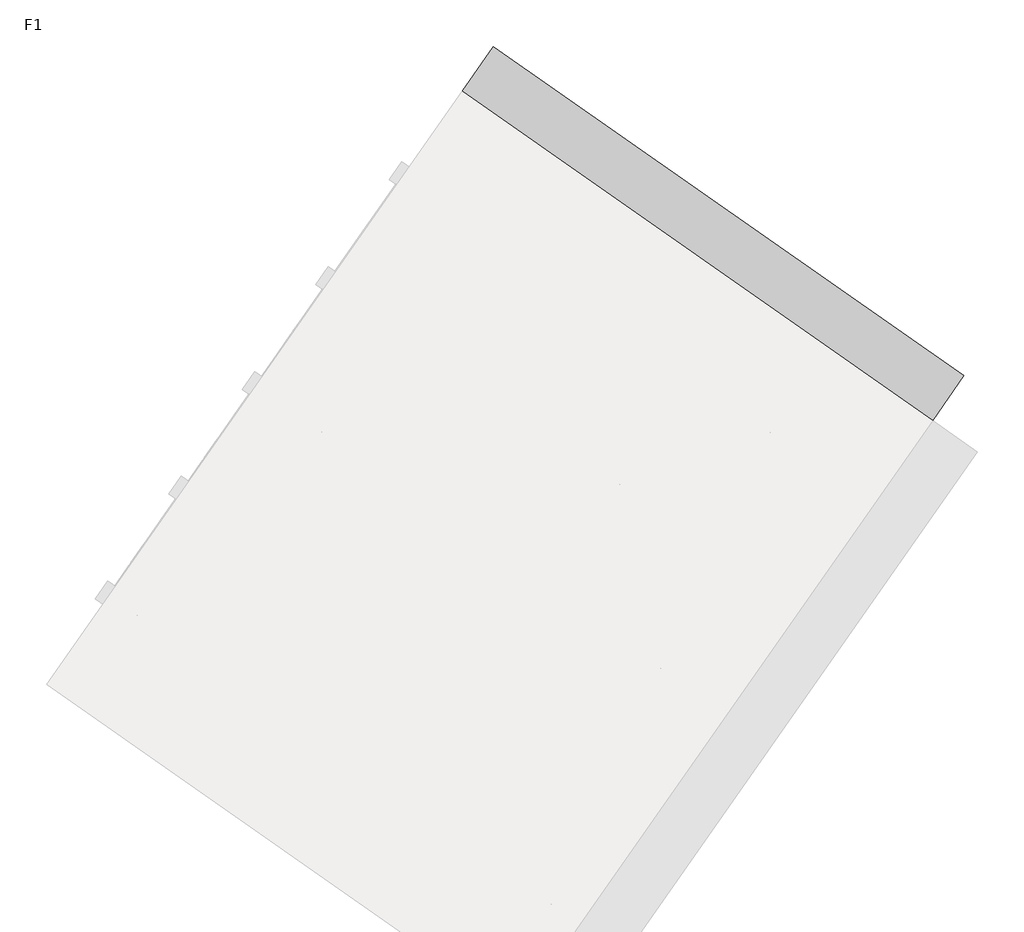
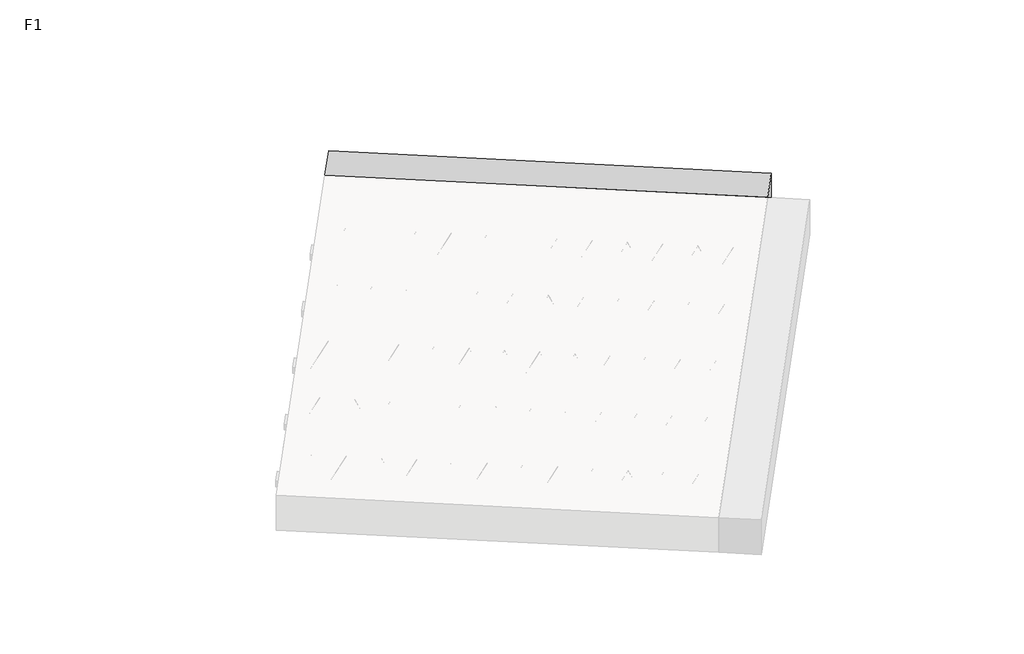
# One storey, part 28 of 30: 2 beams.
"""IFC4 building model written with IfcOpenShell, lengths in millimetres."""

from ifc_helpers import new_model, si_unit, point, frame, origin, origin_2d, place, context, project, spatial, polyline, circle_curve, trimmed, segment, composite_curve, outline, extrude, element, save

model = new_model("IFC4")

# Units and contexts
model_context = context("Model", 3, world=origin())
ifc_project = project(units=[si_unit("LENGTHUNIT", "METRE", prefix="MILLI")], contexts=[model_context])

# Site, building, storey
site = spatial("IfcSite", under=ifc_project)
building = spatial("IfcBuilding", under=site)
storey = spatial("IfcBuildingStorey", under=building, Name="F1", Elevation=99520.0)

# Beams
placement = place(None, origin())
element("IfcBeam", 1, at=placement, inside=storey, context=model_context, shape_type="SweptSolid", body=[
    extrude(outline(polyline([(12049.571242, 7054.7734205), (12118.4004143, 7153.0716658), (14772.4530378, 5294.6840119), (14703.6238654, 5196.3857666), (12049.571242, 7054.7734205)])), frame((0.0, 0.0, 99720.0), z_axis=(0.0, 0.0, 1.0), x_axis=(1.0, 0.0, 0.0)), (0.0, 0.0, 1.0), 50.0),
    extrude(outline(composite_curve([segment(trimmed(circle_curve(origin_2d(), 2.5), [point((-2.5000001, 0.0))], [point((2.5, 0.0))], False, "CARTESIAN"), True, "CONTINUOUS"), segment(trimmed(circle_curve(origin_2d(), 2.5), [point((2.5, 0.0))], [point((-2.5000001, 0.0))], False, "CARTESIAN"), True, "CONTINUOUS")], self_intersect=False)), frame((14697.7300508, 5229.8112502, 99745.0), z_axis=(-0.8191520442696126, 0.5735764363787226, 0.0), x_axis=(0.5735764363787226, 0.8191520442696126, 0.0)), (0.0, 0.0, 1.0), 3192.0),
    extrude(outline(composite_curve([segment(trimmed(circle_curve(origin_2d(), 2.5), [point((-2.5, 0.0))], [point((2.5, 0.0))], False, "CARTESIAN"), True, "CONTINUOUS"), segment(trimmed(circle_curve(origin_2d(), 2.5), [point((2.5, 0.0))], [point((-2.5, 0.0))], False, "CARTESIAN"), True, "CONTINUOUS")], self_intersect=False)), frame((14578.3038029, 5357.3822944, 99970.0), z_axis=(-0.8191520442696126, 0.5735764363787226, 0.0), x_axis=(0.5735764363787226, 0.8191520442696126, 0.0)), (0.0, 0.0, 1.0), 2850.0),
    extrude(outline(composite_curve([segment(trimmed(circle_curve(origin_2d(), 2.5), [point((-2.5, 0.0))], [point((2.5000001, 0.0))], False, "CARTESIAN"), True, "CONTINUOUS"), segment(trimmed(circle_curve(origin_2d(), 2.5), [point((2.5000001, 0.0))], [point((-2.5, 0.0))], False, "CARTESIAN"), True, "CONTINUOUS")], self_intersect=False)), frame((14619.0914545, 5284.874588, 99745.0), z_axis=(-0.3145304735701046, 0.38933448886848654, 0.8657304643902053), x_axis=(0.7778747638402499, 0.6284193279813057, 0.0)), (0.0, 0.0, 1.0), 259.8961331),
    extrude(outline(composite_curve([segment(trimmed(circle_curve(origin_2d(), 2.5), [point((2.5, 0.0))], [point((-2.5000001, 0.0))], False, "CARTESIAN"), True, "CONTINUOUS"), segment(trimmed(circle_curve(origin_2d(), 2.5), [point((-2.5000001, 0.0))], [point((2.5, 0.0))], False, "CARTESIAN"), True, "CONTINUOUS")], self_intersect=False)), frame((14414.3034435, 5428.2686971, 99745.0), z_axis=(0.47343050384693375, -0.16240172737369005, 0.8657304643902051), x_axis=(-0.3244721671091268, -0.9458952440791246, 0.0)), (0.0, 0.0, 1.0), 259.8961331),
    extrude(outline(composite_curve([segment(trimmed(circle_curve(origin_2d(), 2.5), [point((-2.5, 0.0))], [point((2.5, 1e-07))], False, "CARTESIAN"), True, "CONTINUOUS"), segment(trimmed(circle_curve(origin_2d(), 2.5), [point((2.5, 1e-07))], [point((-2.5, 0.0))], False, "CARTESIAN"), True, "CONTINUOUS")], self_intersect=False)), frame((14414.3034435, 5428.2686971, 99745.0), z_axis=(-0.3145304735701046, 0.38933448886848654, 0.8657304643902053), x_axis=(0.7778747638402499, 0.6284193279813057, 0.0)), (0.0, 0.0, 1.0), 259.8961331),
    extrude(outline(composite_curve([segment(trimmed(circle_curve(origin_2d(), 2.5), [point((2.5, 0.0))], [point((-2.5, 0.0))], False, "CARTESIAN"), True, "CONTINUOUS"), segment(trimmed(circle_curve(origin_2d(), 2.5), [point((-2.5, 0.0))], [point((2.5, 0.0))], False, "CARTESIAN"), True, "CONTINUOUS")], self_intersect=False)), frame((14209.5154324, 5571.6628062, 99745.0), z_axis=(0.47343050384693375, -0.16240172737369005, 0.8657304643902051), x_axis=(-0.3244721671091268, -0.9458952440791246, 0.0)), (0.0, 0.0, 1.0), 259.8961331),
    extrude(outline(composite_curve([segment(trimmed(circle_curve(origin_2d(), 2.5), [point((-2.5, 0.0))], [point((2.5, 1e-07))], False, "CARTESIAN"), True, "CONTINUOUS"), segment(trimmed(circle_curve(origin_2d(), 2.5), [point((2.5, 1e-07))], [point((-2.5, 0.0))], False, "CARTESIAN"), True, "CONTINUOUS")], self_intersect=False)), frame((14209.5154324, 5571.6628062, 99745.0), z_axis=(-0.3145304735701046, 0.38933448886848654, 0.8657304643902053), x_axis=(0.7778747638402499, 0.6284193279813057, 0.0)), (0.0, 0.0, 1.0), 259.8961331),
    extrude(outline(composite_curve([segment(trimmed(circle_curve(origin_2d(), 2.5), [point((2.5, 0.0))], [point((-2.5, 1e-07))], False, "CARTESIAN"), True, "CONTINUOUS"), segment(trimmed(circle_curve(origin_2d(), 2.5), [point((-2.5, 1e-07))], [point((2.5, 0.0))], False, "CARTESIAN"), True, "CONTINUOUS")], self_intersect=False)), frame((14004.7274213, 5715.0569153, 99745.0), z_axis=(0.47343050384693375, -0.16240172737369005, 0.8657304643902051), x_axis=(-0.3244721671091268, -0.9458952440791246, 0.0)), (0.0, 0.0, 1.0), 259.8961331),
    extrude(outline(composite_curve([segment(trimmed(circle_curve(origin_2d(), 2.5), [point((-2.5, 0.0))], [point((2.5000001, 0.0))], False, "CARTESIAN"), True, "CONTINUOUS"), segment(trimmed(circle_curve(origin_2d(), 2.5), [point((2.5000001, 0.0))], [point((-2.5, 0.0))], False, "CARTESIAN"), True, "CONTINUOUS")], self_intersect=False)), frame((14004.7274213, 5715.0569153, 99745.0), z_axis=(-0.3145304735701046, 0.38933448886848654, 0.8657304643902053), x_axis=(0.7778747638402499, 0.6284193279813057, 0.0)), (0.0, 0.0, 1.0), 259.8961331),
    extrude(outline(composite_curve([segment(trimmed(circle_curve(origin_2d(), 2.5), [point((2.5, 0.0))], [point((-2.5, 0.0))], False, "CARTESIAN"), True, "CONTINUOUS"), segment(trimmed(circle_curve(origin_2d(), 2.5), [point((-2.5, 0.0))], [point((2.5, 0.0))], False, "CARTESIAN"), True, "CONTINUOUS")], self_intersect=False)), frame((13799.9394103, 5858.4510244, 99745.0), z_axis=(0.47343050384693375, -0.16240172737369005, 0.8657304643902051), x_axis=(-0.3244721671091268, -0.9458952440791246, 0.0)), (0.0, 0.0, 1.0), 259.8961331),
    extrude(outline(composite_curve([segment(trimmed(circle_curve(origin_2d(), 2.5), [point((-2.5, 0.0))], [point((2.5, 0.0))], False, "CARTESIAN"), True, "CONTINUOUS"), segment(trimmed(circle_curve(origin_2d(), 2.5), [point((2.5, 0.0))], [point((-2.5, 0.0))], False, "CARTESIAN"), True, "CONTINUOUS")], self_intersect=False)), frame((13799.9394103, 5858.4510244, 99745.0), z_axis=(-0.3145304735701046, 0.38933448886848654, 0.8657304643902053), x_axis=(0.7778747638402499, 0.6284193279813057, 0.0)), (0.0, 0.0, 1.0), 259.8961331),
    extrude(outline(composite_curve([segment(trimmed(circle_curve(origin_2d(), 2.5), [point((2.5, 0.0))], [point((-2.5, 0.0))], False, "CARTESIAN"), True, "CONTINUOUS"), segment(trimmed(circle_curve(origin_2d(), 2.5), [point((-2.5, 0.0))], [point((2.5, 0.0))], False, "CARTESIAN"), True, "CONTINUOUS")], self_intersect=False)), frame((13595.1513992, 6001.8451335, 99745.0), z_axis=(0.47343050384693375, -0.16240172737369005, 0.8657304643902051), x_axis=(-0.3244721671091268, -0.9458952440791246, 0.0)), (0.0, 0.0, 1.0), 259.8961331),
    extrude(outline(composite_curve([segment(trimmed(circle_curve(origin_2d(), 2.5), [point((-2.5, 0.0))], [point((2.5, 0.0))], False, "CARTESIAN"), True, "CONTINUOUS"), segment(trimmed(circle_curve(origin_2d(), 2.5), [point((2.5, 0.0))], [point((-2.5, 0.0))], False, "CARTESIAN"), True, "CONTINUOUS")], self_intersect=False)), frame((13595.1513992, 6001.8451335, 99745.0), z_axis=(-0.3145304735701046, 0.38933448886848654, 0.8657304643902053), x_axis=(0.7778747638402499, 0.6284193279813057, 0.0)), (0.0, 0.0, 1.0), 259.8961331),
    extrude(outline(composite_curve([segment(trimmed(circle_curve(origin_2d(), 2.5), [point((2.5, 0.0))], [point((-2.5, 1e-07))], False, "CARTESIAN"), True, "CONTINUOUS"), segment(trimmed(circle_curve(origin_2d(), 2.5), [point((-2.5, 1e-07))], [point((2.5, 0.0))], False, "CARTESIAN"), True, "CONTINUOUS")], self_intersect=False)), frame((13390.3633881, 6145.2392426, 99745.0), z_axis=(0.47343050384693375, -0.16240172737369005, 0.8657304643902051), x_axis=(-0.3244721671091268, -0.9458952440791246, 0.0)), (0.0, 0.0, 1.0), 259.8961331),
    extrude(outline(composite_curve([segment(trimmed(circle_curve(origin_2d(), 2.5), [point((-2.5, 0.0))], [point((2.5000001, -1e-07))], False, "CARTESIAN"), True, "CONTINUOUS"), segment(trimmed(circle_curve(origin_2d(), 2.5), [point((2.5000001, -1e-07))], [point((-2.5, 0.0))], False, "CARTESIAN"), True, "CONTINUOUS")], self_intersect=False)), frame((13390.3633881, 6145.2392426, 99745.0), z_axis=(-0.3145304735701046, 0.38933448886848654, 0.8657304643902053), x_axis=(0.7778747638402499, 0.6284193279813057, 0.0)), (0.0, 0.0, 1.0), 259.8961331),
    extrude(outline(composite_curve([segment(trimmed(circle_curve(origin_2d(), 2.5), [point((2.5, 0.0))], [point((-2.5, 0.0))], False, "CARTESIAN"), True, "CONTINUOUS"), segment(trimmed(circle_curve(origin_2d(), 2.5), [point((-2.5, 0.0))], [point((2.5, 0.0))], False, "CARTESIAN"), True, "CONTINUOUS")], self_intersect=False)), frame((13185.5753771, 6288.6333517, 99745.0), z_axis=(0.47343050384693375, -0.16240172737369005, 0.8657304643902051), x_axis=(-0.3244721671091268, -0.9458952440791246, 0.0)), (0.0, 0.0, 1.0), 259.8961331),
    extrude(outline(composite_curve([segment(trimmed(circle_curve(origin_2d(), 2.5), [point((-2.5, 0.0))], [point((2.5, 0.0))], False, "CARTESIAN"), True, "CONTINUOUS"), segment(trimmed(circle_curve(origin_2d(), 2.5), [point((2.5, 0.0))], [point((-2.5, 0.0))], False, "CARTESIAN"), True, "CONTINUOUS")], self_intersect=False)), frame((13185.5753771, 6288.6333517, 99745.0), z_axis=(-0.3145304735701046, 0.38933448886848654, 0.8657304643902053), x_axis=(0.7778747638402499, 0.6284193279813057, 0.0)), (0.0, 0.0, 1.0), 259.8961331),
    extrude(outline(composite_curve([segment(trimmed(circle_curve(origin_2d(), 2.5), [point((2.5, 0.0))], [point((-2.5, 0.0))], False, "CARTESIAN"), True, "CONTINUOUS"), segment(trimmed(circle_curve(origin_2d(), 2.5), [point((-2.5, 0.0))], [point((2.5, 0.0))], False, "CARTESIAN"), True, "CONTINUOUS")], self_intersect=False)), frame((12980.787366, 6432.0274608, 99745.0), z_axis=(0.47343050384693375, -0.16240172737369005, 0.8657304643902051), x_axis=(-0.3244721671091268, -0.9458952440791246, 0.0)), (0.0, 0.0, 1.0), 259.8961331),
    extrude(outline(composite_curve([segment(trimmed(circle_curve(origin_2d(), 2.5), [point((-2.5, 0.0))], [point((2.5, 0.0))], False, "CARTESIAN"), True, "CONTINUOUS"), segment(trimmed(circle_curve(origin_2d(), 2.5), [point((2.5, 0.0))], [point((-2.5, 0.0))], False, "CARTESIAN"), True, "CONTINUOUS")], self_intersect=False)), frame((12980.787366, 6432.0274608, 99745.0), z_axis=(-0.3145304735701046, 0.38933448886848654, 0.8657304643902053), x_axis=(0.7778747638402499, 0.6284193279813057, 0.0)), (0.0, 0.0, 1.0), 259.8961331),
    extrude(outline(composite_curve([segment(trimmed(circle_curve(origin_2d(), 2.5), [point((2.5, 0.0))], [point((-2.5, 1e-07))], False, "CARTESIAN"), True, "CONTINUOUS"), segment(trimmed(circle_curve(origin_2d(), 2.5), [point((-2.5, 1e-07))], [point((2.5, 0.0))], False, "CARTESIAN"), True, "CONTINUOUS")], self_intersect=False)), frame((12775.9993549, 6575.4215699, 99745.0), z_axis=(0.47343050384693375, -0.16240172737369005, 0.8657304643902051), x_axis=(-0.3244721671091268, -0.9458952440791246, 0.0)), (0.0, 0.0, 1.0), 259.8961331),
    extrude(outline(composite_curve([segment(trimmed(circle_curve(origin_2d(), 2.5), [point((-2.5, 0.0))], [point((2.5000001, -1e-07))], False, "CARTESIAN"), True, "CONTINUOUS"), segment(trimmed(circle_curve(origin_2d(), 2.5), [point((2.5000001, -1e-07))], [point((-2.5, 0.0))], False, "CARTESIAN"), True, "CONTINUOUS")], self_intersect=False)), frame((12775.9993549, 6575.4215699, 99745.0), z_axis=(-0.3145304735701046, 0.38933448886848654, 0.8657304643902053), x_axis=(0.7778747638402499, 0.6284193279813057, 0.0)), (0.0, 0.0, 1.0), 259.8961331),
    extrude(outline(composite_curve([segment(trimmed(circle_curve(origin_2d(), 2.5), [point((2.5, 0.0))], [point((-2.5, 0.0))], False, "CARTESIAN"), True, "CONTINUOUS"), segment(trimmed(circle_curve(origin_2d(), 2.5), [point((-2.5, 0.0))], [point((2.5, 0.0))], False, "CARTESIAN"), True, "CONTINUOUS")], self_intersect=False)), frame((12571.2113439, 6718.815679, 99745.0), z_axis=(0.47343050384693375, -0.16240172737369005, 0.8657304643902051), x_axis=(-0.3244721671091268, -0.9458952440791246, 0.0)), (0.0, 0.0, 1.0), 259.8961331),
    extrude(outline(composite_curve([segment(trimmed(circle_curve(origin_2d(), 2.5), [point((-2.5, 0.0))], [point((2.5, 0.0))], False, "CARTESIAN"), True, "CONTINUOUS"), segment(trimmed(circle_curve(origin_2d(), 2.5), [point((2.5, 0.0))], [point((-2.5, 0.0))], False, "CARTESIAN"), True, "CONTINUOUS")], self_intersect=False)), frame((12571.2113439, 6718.815679, 99745.0), z_axis=(-0.3145304735701046, 0.38933448886848654, 0.8657304643902053), x_axis=(0.7778747638402499, 0.6284193279813057, 0.0)), (0.0, 0.0, 1.0), 259.8961331),
    extrude(outline(composite_curve([segment(trimmed(circle_curve(origin_2d(), 2.5), [point((2.5, 0.0))], [point((-2.5, 0.0))], False, "CARTESIAN"), True, "CONTINUOUS"), segment(trimmed(circle_curve(origin_2d(), 2.5), [point((-2.5, 0.0))], [point((2.5, 0.0))], False, "CARTESIAN"), True, "CONTINUOUS")], self_intersect=False)), frame((12366.4233328, 6862.2097881, 99745.0), z_axis=(0.47343050384693375, -0.16240172737369005, 0.8657304643902051), x_axis=(-0.3244721671091268, -0.9458952440791246, 0.0)), (0.0, 0.0, 1.0), 259.8961331),
    extrude(outline(composite_curve([segment(trimmed(circle_curve(origin_2d(), 2.5), [point((-2.5, 0.0))], [point((2.5, 0.0))], False, "CARTESIAN"), True, "CONTINUOUS"), segment(trimmed(circle_curve(origin_2d(), 2.5), [point((2.5, 0.0))], [point((-2.5, 0.0))], False, "CARTESIAN"), True, "CONTINUOUS")], self_intersect=False)), frame((12366.4233328, 6862.2097881, 99745.0), z_axis=(-0.3145304735701046, 0.38933448886848654, 0.8657304643902053), x_axis=(0.7778747638402499, 0.6284193279813057, 0.0)), (0.0, 0.0, 1.0), 259.8961331),
    extrude(outline(composite_curve([segment(trimmed(circle_curve(origin_2d(), 2.5), [point((2.5, 0.0))], [point((-2.5, 1e-07))], False, "CARTESIAN"), True, "CONTINUOUS"), segment(trimmed(circle_curve(origin_2d(), 2.5), [point((-2.5, 1e-07))], [point((2.5, 0.0))], False, "CARTESIAN"), True, "CONTINUOUS")], self_intersect=False)), frame((12161.6353217, 7005.6038972, 99745.0), z_axis=(0.47343050384693375, -0.16240172737369005, 0.8657304643902051), x_axis=(-0.3244721671091268, -0.9458952440791246, 0.0)), (0.0, 0.0, 1.0), 259.8961331),
    extrude(outline(composite_curve([segment(trimmed(circle_curve(origin_2d(), 2.5), [point((-2.5, 0.0))], [point((2.5000001, 0.0))], False, "CARTESIAN"), True, "CONTINUOUS"), segment(trimmed(circle_curve(origin_2d(), 2.5), [point((2.5000001, 0.0))], [point((-2.5, 0.0))], False, "CARTESIAN"), True, "CONTINUOUS")], self_intersect=False)), frame((14739.0275542, 5288.7901973, 99745.0), z_axis=(-0.8191520442696126, 0.5735764363787226, 0.0), x_axis=(0.5735764363787226, 0.8191520442696126, 0.0)), (0.0, 0.0, 1.0), 3192.0),
    extrude(outline(composite_curve([segment(trimmed(circle_curve(origin_2d(), 2.5), [point((-2.5, 1e-07))], [point((2.5, 0.0))], False, "CARTESIAN"), True, "CONTINUOUS"), segment(trimmed(circle_curve(origin_2d(), 2.5), [point((2.5, 0.0))], [point((-2.5, 1e-07))], False, "CARTESIAN"), True, "CONTINUOUS")], self_intersect=False)), frame((14660.388958, 5343.8535352, 99745.0), z_axis=(-0.47343050384693375, 0.16240172737369005, 0.8657304643902051), x_axis=(0.3244721671091268, 0.9458952440791246, 0.0)), (0.0, 0.0, 1.0), 259.8961331),
    extrude(outline(composite_curve([segment(trimmed(circle_curve(origin_2d(), 2.5), [point((2.5, 0.0))], [point((-2.5, 0.0))], False, "CARTESIAN"), True, "CONTINUOUS"), segment(trimmed(circle_curve(origin_2d(), 2.5), [point((-2.5, 0.0))], [point((2.5, 0.0))], False, "CARTESIAN"), True, "CONTINUOUS")], self_intersect=False)), frame((14455.6009469, 5487.2476443, 99745.0), z_axis=(0.3145304735701046, -0.38933448886848654, 0.8657304643902053), x_axis=(-0.7778747638402499, -0.6284193279813057, 0.0)), (0.0, 0.0, 1.0), 259.8961331),
    extrude(outline(composite_curve([segment(trimmed(circle_curve(origin_2d(), 2.5), [point((-2.5, 0.0))], [point((2.5, 0.0))], False, "CARTESIAN"), True, "CONTINUOUS"), segment(trimmed(circle_curve(origin_2d(), 2.5), [point((2.5, 0.0))], [point((-2.5, 0.0))], False, "CARTESIAN"), True, "CONTINUOUS")], self_intersect=False)), frame((14455.6009469, 5487.2476443, 99745.0), z_axis=(-0.47343050384693375, 0.16240172737369005, 0.8657304643902051), x_axis=(0.3244721671091268, 0.9458952440791246, 0.0)), (0.0, 0.0, 1.0), 259.8961331),
    extrude(outline(composite_curve([segment(trimmed(circle_curve(origin_2d(), 2.5), [point((2.5, 0.0))], [point((-2.5, 0.0))], False, "CARTESIAN"), True, "CONTINUOUS"), segment(trimmed(circle_curve(origin_2d(), 2.5), [point((-2.5, 0.0))], [point((2.5, 0.0))], False, "CARTESIAN"), True, "CONTINUOUS")], self_intersect=False)), frame((14250.8129358, 5630.6417534, 99745.0), z_axis=(0.3145304735701046, -0.38933448886848654, 0.8657304643902053), x_axis=(-0.7778747638402499, -0.6284193279813057, 0.0)), (0.0, 0.0, 1.0), 259.8961331),
    extrude(outline(composite_curve([segment(trimmed(circle_curve(origin_2d(), 2.5), [point((-2.5, 0.0))], [point((2.5, -1e-07))], False, "CARTESIAN"), True, "CONTINUOUS"), segment(trimmed(circle_curve(origin_2d(), 2.5), [point((2.5, -1e-07))], [point((-2.5, 0.0))], False, "CARTESIAN"), True, "CONTINUOUS")], self_intersect=False)), frame((14250.8129358, 5630.6417534, 99745.0), z_axis=(-0.47343050384693375, 0.16240172737369005, 0.8657304643902051), x_axis=(0.3244721671091268, 0.9458952440791246, 0.0)), (0.0, 0.0, 1.0), 259.8961331),
    extrude(outline(composite_curve([segment(trimmed(circle_curve(origin_2d(), 2.5), [point((2.5, 0.0))], [point((-2.5, 0.0))], False, "CARTESIAN"), True, "CONTINUOUS"), segment(trimmed(circle_curve(origin_2d(), 2.5), [point((-2.5, 0.0))], [point((2.5, 0.0))], False, "CARTESIAN"), True, "CONTINUOUS")], self_intersect=False)), frame((14046.0249248, 5774.0358625, 99745.0), z_axis=(0.3145304735701046, -0.38933448886848654, 0.8657304643902053), x_axis=(-0.7778747638402499, -0.6284193279813057, 0.0)), (0.0, 0.0, 1.0), 259.8961331),
    extrude(outline(composite_curve([segment(trimmed(circle_curve(origin_2d(), 2.5), [point((-2.5, 1e-07))], [point((2.5, 0.0))], False, "CARTESIAN"), True, "CONTINUOUS"), segment(trimmed(circle_curve(origin_2d(), 2.5), [point((2.5, 0.0))], [point((-2.5, 1e-07))], False, "CARTESIAN"), True, "CONTINUOUS")], self_intersect=False)), frame((14046.0249248, 5774.0358625, 99745.0), z_axis=(-0.47343050384693375, 0.16240172737369005, 0.8657304643902051), x_axis=(0.3244721671091268, 0.9458952440791246, 0.0)), (0.0, 0.0, 1.0), 259.8961331),
    extrude(outline(composite_curve([segment(trimmed(circle_curve(origin_2d(), 2.5), [point((2.5, 0.0))], [point((-2.5, 0.0))], False, "CARTESIAN"), True, "CONTINUOUS"), segment(trimmed(circle_curve(origin_2d(), 2.5), [point((-2.5, 0.0))], [point((2.5, 0.0))], False, "CARTESIAN"), True, "CONTINUOUS")], self_intersect=False)), frame((13841.2369137, 5917.4299716, 99745.0), z_axis=(0.3145304735701046, -0.38933448886848654, 0.8657304643902053), x_axis=(-0.7778747638402499, -0.6284193279813057, 0.0)), (0.0, 0.0, 1.0), 259.8961331),
    extrude(outline(composite_curve([segment(trimmed(circle_curve(origin_2d(), 2.5), [point((-2.5, 0.0))], [point((2.5, 0.0))], False, "CARTESIAN"), True, "CONTINUOUS"), segment(trimmed(circle_curve(origin_2d(), 2.5), [point((2.5, 0.0))], [point((-2.5, 0.0))], False, "CARTESIAN"), True, "CONTINUOUS")], self_intersect=False)), frame((13841.2369137, 5917.4299716, 99745.0), z_axis=(-0.47343050384693375, 0.16240172737369005, 0.8657304643902051), x_axis=(0.3244721671091268, 0.9458952440791246, 0.0)), (0.0, 0.0, 1.0), 259.8961331),
    extrude(outline(composite_curve([segment(trimmed(circle_curve(origin_2d(), 2.5), [point((2.5, 0.0))], [point((-2.5, 0.0))], False, "CARTESIAN"), True, "CONTINUOUS"), segment(trimmed(circle_curve(origin_2d(), 2.5), [point((-2.5, 0.0))], [point((2.5, 0.0))], False, "CARTESIAN"), True, "CONTINUOUS")], self_intersect=False)), frame((13636.4489026, 6060.8240807, 99745.0), z_axis=(0.3145304735701046, -0.38933448886848654, 0.8657304643902053), x_axis=(-0.7778747638402499, -0.6284193279813057, 0.0)), (0.0, 0.0, 1.0), 259.8961331),
    extrude(outline(composite_curve([segment(trimmed(circle_curve(origin_2d(), 2.5), [point((-2.5, 0.0))], [point((2.5, 0.0))], False, "CARTESIAN"), True, "CONTINUOUS"), segment(trimmed(circle_curve(origin_2d(), 2.5), [point((2.5, 0.0))], [point((-2.5, 0.0))], False, "CARTESIAN"), True, "CONTINUOUS")], self_intersect=False)), frame((13636.4489026, 6060.8240807, 99745.0), z_axis=(-0.47343050384693375, 0.16240172737369005, 0.8657304643902051), x_axis=(0.3244721671091268, 0.9458952440791246, 0.0)), (0.0, 0.0, 1.0), 259.8961331),
    extrude(outline(composite_curve([segment(trimmed(circle_curve(origin_2d(), 2.5), [point((2.5, 0.0))], [point((-2.5, 0.0))], False, "CARTESIAN"), True, "CONTINUOUS"), segment(trimmed(circle_curve(origin_2d(), 2.5), [point((-2.5, 0.0))], [point((2.5, 0.0))], False, "CARTESIAN"), True, "CONTINUOUS")], self_intersect=False)), frame((13431.6608916, 6204.2181898, 99745.0), z_axis=(0.3145304735701046, -0.38933448886848654, 0.8657304643902053), x_axis=(-0.7778747638402499, -0.6284193279813057, 0.0)), (0.0, 0.0, 1.0), 259.8961331),
    extrude(outline(composite_curve([segment(trimmed(circle_curve(origin_2d(), 2.5), [point((-2.5, 1e-07))], [point((2.5, 0.0))], False, "CARTESIAN"), True, "CONTINUOUS"), segment(trimmed(circle_curve(origin_2d(), 2.5), [point((2.5, 0.0))], [point((-2.5, 1e-07))], False, "CARTESIAN"), True, "CONTINUOUS")], self_intersect=False)), frame((13431.6608916, 6204.2181898, 99745.0), z_axis=(-0.47343050384693375, 0.16240172737369005, 0.8657304643902051), x_axis=(0.3244721671091268, 0.9458952440791246, 0.0)), (0.0, 0.0, 1.0), 259.8961331),
    extrude(outline(composite_curve([segment(trimmed(circle_curve(origin_2d(), 2.5), [point((2.5, 0.0))], [point((-2.5, 0.0))], False, "CARTESIAN"), True, "CONTINUOUS"), segment(trimmed(circle_curve(origin_2d(), 2.5), [point((-2.5, 0.0))], [point((2.5, 0.0))], False, "CARTESIAN"), True, "CONTINUOUS")], self_intersect=False)), frame((13226.8728805, 6347.6122989, 99745.0), z_axis=(0.3145304735701046, -0.38933448886848654, 0.8657304643902053), x_axis=(-0.7778747638402499, -0.6284193279813057, 0.0)), (0.0, 0.0, 1.0), 259.8961331),
    extrude(outline(composite_curve([segment(trimmed(circle_curve(origin_2d(), 2.5), [point((-2.5, 0.0))], [point((2.5, 0.0))], False, "CARTESIAN"), True, "CONTINUOUS"), segment(trimmed(circle_curve(origin_2d(), 2.5), [point((2.5, 0.0))], [point((-2.5, 0.0))], False, "CARTESIAN"), True, "CONTINUOUS")], self_intersect=False)), frame((13226.8728805, 6347.6122989, 99745.0), z_axis=(-0.47343050384693375, 0.16240172737369005, 0.8657304643902051), x_axis=(0.3244721671091268, 0.9458952440791246, 0.0)), (0.0, 0.0, 1.0), 259.8961331),
    extrude(outline(composite_curve([segment(trimmed(circle_curve(origin_2d(), 2.5), [point((2.5, 0.0))], [point((-2.5, 0.0))], False, "CARTESIAN"), True, "CONTINUOUS"), segment(trimmed(circle_curve(origin_2d(), 2.5), [point((-2.5, 0.0))], [point((2.5, 0.0))], False, "CARTESIAN"), True, "CONTINUOUS")], self_intersect=False)), frame((13022.0848694, 6491.006408, 99745.0), z_axis=(0.3145304735701046, -0.38933448886848654, 0.8657304643902053), x_axis=(-0.7778747638402499, -0.6284193279813057, 0.0)), (0.0, 0.0, 1.0), 259.8961331),
    extrude(outline(composite_curve([segment(trimmed(circle_curve(origin_2d(), 2.5), [point((-2.5, 0.0))], [point((2.5, 0.0))], False, "CARTESIAN"), True, "CONTINUOUS"), segment(trimmed(circle_curve(origin_2d(), 2.5), [point((2.5, 0.0))], [point((-2.5, 0.0))], False, "CARTESIAN"), True, "CONTINUOUS")], self_intersect=False)), frame((13022.0848694, 6491.006408, 99745.0), z_axis=(-0.47343050384693375, 0.16240172737369005, 0.8657304643902051), x_axis=(0.3244721671091268, 0.9458952440791246, 0.0)), (0.0, 0.0, 1.0), 259.8961331),
    extrude(outline(composite_curve([segment(trimmed(circle_curve(origin_2d(), 2.5), [point((2.5, 0.0))], [point((-2.5, 0.0))], False, "CARTESIAN"), True, "CONTINUOUS"), segment(trimmed(circle_curve(origin_2d(), 2.5), [point((-2.5, 0.0))], [point((2.5, 0.0))], False, "CARTESIAN"), True, "CONTINUOUS")], self_intersect=False)), frame((12817.2968584, 6634.4005171, 99745.0), z_axis=(0.3145304735701046, -0.38933448886848654, 0.8657304643902053), x_axis=(-0.7778747638402499, -0.6284193279813057, 0.0)), (0.0, 0.0, 1.0), 259.8961331),
    extrude(outline(composite_curve([segment(trimmed(circle_curve(origin_2d(), 2.5), [point((-2.5, 1e-07))], [point((2.5, 0.0))], False, "CARTESIAN"), True, "CONTINUOUS"), segment(trimmed(circle_curve(origin_2d(), 2.5), [point((2.5, 0.0))], [point((-2.5, 1e-07))], False, "CARTESIAN"), True, "CONTINUOUS")], self_intersect=False)), frame((12817.2968584, 6634.4005171, 99745.0), z_axis=(-0.47343050384693375, 0.16240172737369005, 0.8657304643902051), x_axis=(0.3244721671091268, 0.9458952440791246, 0.0)), (0.0, 0.0, 1.0), 259.8961331),
    extrude(outline(composite_curve([segment(trimmed(circle_curve(origin_2d(), 2.5), [point((2.5, 0.0))], [point((-2.5, 0.0))], False, "CARTESIAN"), True, "CONTINUOUS"), segment(trimmed(circle_curve(origin_2d(), 2.5), [point((-2.5, 0.0))], [point((2.5, 0.0))], False, "CARTESIAN"), True, "CONTINUOUS")], self_intersect=False)), frame((12612.5088473, 6777.7946262, 99745.0), z_axis=(0.3145304735701046, -0.38933448886848654, 0.8657304643902053), x_axis=(-0.7778747638402499, -0.6284193279813057, 0.0)), (0.0, 0.0, 1.0), 259.8961331),
    extrude(outline(composite_curve([segment(trimmed(circle_curve(origin_2d(), 2.5), [point((-2.5, 0.0))], [point((2.5, 0.0))], False, "CARTESIAN"), True, "CONTINUOUS"), segment(trimmed(circle_curve(origin_2d(), 2.5), [point((2.5, 0.0))], [point((-2.5, 0.0))], False, "CARTESIAN"), True, "CONTINUOUS")], self_intersect=False)), frame((12612.5088473, 6777.7946262, 99745.0), z_axis=(-0.47343050384693375, 0.16240172737369005, 0.8657304643902051), x_axis=(0.3244721671091268, 0.9458952440791246, 0.0)), (0.0, 0.0, 1.0), 259.8961331),
    extrude(outline(composite_curve([segment(trimmed(circle_curve(origin_2d(), 2.5), [point((2.5, 0.0))], [point((-2.5, 0.0))], False, "CARTESIAN"), True, "CONTINUOUS"), segment(trimmed(circle_curve(origin_2d(), 2.5), [point((-2.5, 0.0))], [point((2.5, 0.0))], False, "CARTESIAN"), True, "CONTINUOUS")], self_intersect=False)), frame((12407.7208362, 6921.1887353, 99745.0), z_axis=(0.3145304735701046, -0.38933448886848654, 0.8657304643902053), x_axis=(-0.7778747638402499, -0.6284193279813057, 0.0)), (0.0, 0.0, 1.0), 259.8961331),
    extrude(outline(composite_curve([segment(trimmed(circle_curve(origin_2d(), 2.5), [point((-2.5, 0.0))], [point((2.5, 0.0))], False, "CARTESIAN"), True, "CONTINUOUS"), segment(trimmed(circle_curve(origin_2d(), 2.5), [point((2.5, 0.0))], [point((-2.5, 0.0))], False, "CARTESIAN"), True, "CONTINUOUS")], self_intersect=False)), frame((12407.7208362, 6921.1887353, 99745.0), z_axis=(-0.47343050384693375, 0.16240172737369005, 0.8657304643902051), x_axis=(0.3244721671091268, 0.9458952440791246, 0.0)), (0.0, 0.0, 1.0), 259.8961331),
    extrude(outline(composite_curve([segment(trimmed(circle_curve(origin_2d(), 2.5), [point((2.5000001, -1e-07))], [point((-2.5, 0.0))], False, "CARTESIAN"), True, "CONTINUOUS"), segment(trimmed(circle_curve(origin_2d(), 2.5), [point((-2.5, 0.0))], [point((2.5000001, -1e-07))], False, "CARTESIAN"), True, "CONTINUOUS")], self_intersect=False)), frame((12202.9328252, 7064.5828444, 99745.0), z_axis=(0.3145304735701046, -0.38933448886848654, 0.8657304643902053), x_axis=(-0.7778747638402499, -0.6284193279813057, 0.0)), (0.0, 0.0, 1.0), 259.8961331),
])
element("IfcBeam", 2, at=placement, inside=storey, context=model_context, shape_type="SweptSolid", body=[
    extrude(outline(polyline([(15192.6507071, 5981.9608114), (15020.5777762, 5736.2151982), (12448.4403572, 7537.2452084), (12620.5132881, 7782.9908217), (15192.6507071, 5981.9608114)])), frame((0.0, 0.0, 99720.0), z_axis=(0.0, 0.0, 1.0), x_axis=(1.0, 0.0, 0.0)), (0.0, 0.0, 1.0), 300.0),
])

save(model, "model.ifc")
